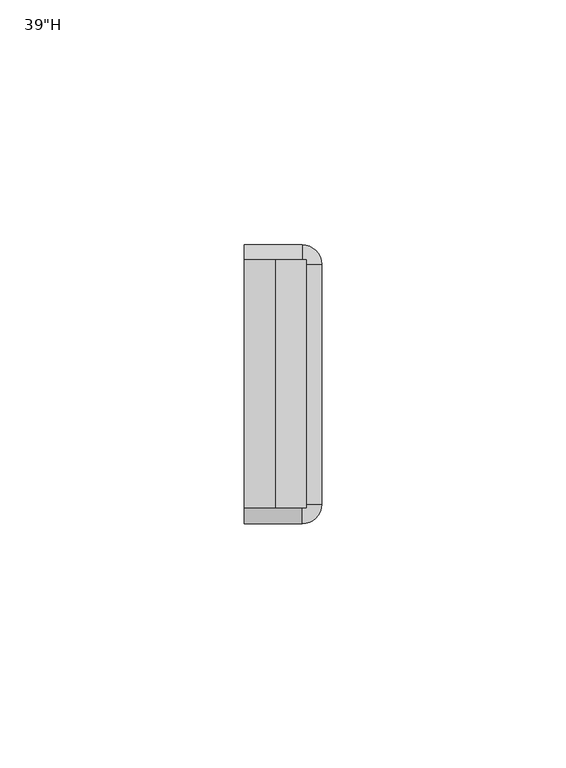
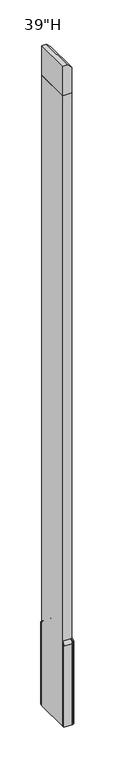
"""IFC4 building model written with IfcOpenShell, lengths in millimetres: furniture geometry."""

from ifc_helpers import new_model, si_unit, point, frame, origin, place, context, project, spatial, polyline, circle_curve, ellipse_curve, trimmed, outline, extrude, source, transform, mapped, element, save
from ifc_brep_helpers import plane_surface, cylinder_surface, revolved_surface, advanced_brep


def furniture_493edbe2(model_context):
    return source(origin(), model_context, "Body", "SolidModel", [
        advanced_brep(
        [(1984.8560512, -2420.1637877, 130.97002), (1984.8560512, -2420.1637877, 9.525), (1984.8560512, -2421.7512877, 9.525), (1984.8560512, -2421.7512877, 130.97002), (1984.8560512, -2423.3387877, 134.5628942), (1984.8560512, -2423.3387877, 136.525), (1996.7623012, -2420.1637877, 130.97002), (1996.7623012, -2420.1637877, 9.525), (2000.7310512, -2424.1325377, 9.525), (2000.7310512, -2473.3356635, 9.525), (1996.752927, -2477.3137877, 9.525), (1984.8560512, -2477.3137877, 9.525), (1984.8560512, -2475.7262877, 9.525), (1996.752927, -2475.7262877, 9.525), (1999.1435512, -2473.3356635, 9.525), (1999.1435512, -2424.1325377, 9.525), (1996.7623012, -2421.7512877, 9.525), (1996.7623012, -2421.7512877, 130.97002), (1996.7623012, -2423.3387877, 134.5628942), (1996.7623012, -2423.3387877, 136.525), (2000.7310512, -2424.1325377, 130.97002), (1999.1435512, -2424.1325377, 130.97002), (1997.5560512, -2424.1325377, 134.5628942), (1997.5560512, -2424.1325377, 136.525), (2000.7310512, -2473.3356635, 130.97002), (1999.1435512, -2473.3356635, 130.97002), (1997.5560512, -2473.3356635, 134.5628942), (1997.5560512, -2473.3356635, 136.525), (1996.752927, -2477.3137877, 130.97002), (1996.752927, -2475.7262877, 130.97002), (1996.752927, -2474.1387877, 134.5628942), (1996.752927, -2474.1387877, 136.525), (1984.8560512, -2477.3137877, 130.97002), (1984.8560512, -2474.1387877, 136.525), (1984.8560512, -2474.1387877, 134.5628942), (1984.8560512, -2475.7262877, 130.97002)],
        [
            (0, 1),
            (1, 2),
            (2, 3),
            (3, 4, circle_curve(frame((1984.8560512, -2426.6107842, 130.97002), z_axis=(1.0, 0.0, 0.0), x_axis=(0.0, 1.0, 0.0)), 4.8594965)),
            (4, 5),
            (5, 0, circle_curve(frame((1984.8560512, -2426.6107842, 130.97002), z_axis=(-1.0, 0.0, 0.0), x_axis=(0.0, 1.0, 0.0)), 6.4469965)),
            (0, 6),
            (6, 7),
            (7, 1),
            (7, 8, circle_curve(frame((1996.7623012, -2424.1325377, 9.525), z_axis=(0.0, 0.0, -1.0), x_axis=(0.0, 1.0, 0.0)), 3.96875)),
            (8, 9),
            (9, 10, circle_curve(frame((1996.752927, -2473.3356635, 9.525), z_axis=(0.0, 0.0, -1.0), x_axis=(1.0, 0.0, 0.0)), 3.9781242)),
            (10, 11),
            (11, 12),
            (12, 13),
            (13, 14, circle_curve(frame((1996.752927, -2473.3356635, 9.525), z_axis=(0.0, 0.0, 1.0), x_axis=(1.0, 0.0, 0.0)), 2.3906242)),
            (14, 15),
            (15, 16, circle_curve(frame((1996.7623012, -2424.1325377, 9.525), z_axis=(0.0, 0.0, 1.0), x_axis=(0.0, 1.0, 0.0)), 2.38125)),
            (16, 2),
            (16, 17),
            (17, 3),
            (17, 18, circle_curve(frame((1996.7623012, -2426.6107842, 130.97002), z_axis=(1.0, 0.0, 0.0), x_axis=(0.0, 1.0, 0.0)), 4.8594965)),
            (18, 4),
            (18, 19),
            (19, 5),
            (19, 6, circle_curve(frame((1996.7623012, -2426.6107842, 130.97002), z_axis=(-1.0, 0.0, 0.0), x_axis=(0.0, 1.0, 0.0)), 6.4469965)),
            (6, 20, circle_curve(frame((1996.7623012, -2424.1325377, 130.97002), z_axis=(0.0, 0.0, -1.0), x_axis=(0.0, 1.0, 0.0)), 3.96875)),
            (20, 8),
            (21, 17, circle_curve(frame((1996.7623012, -2424.1325377, 130.97002), z_axis=(0.0, 0.0, 1.0), x_axis=(0.0, 1.0, 0.0)), 2.38125)),
            (15, 21),
            (22, 18, circle_curve(frame((1996.7623012, -2424.1325377, 134.5628942), z_axis=(0.0, 0.0, 1.0), x_axis=(0.0, 1.0, 0.0)), 0.79375)),
            (21, 22, circle_curve(frame((1994.2840547, -2424.1325377, 130.97002), z_axis=(0.0, -1.0, 0.0), x_axis=(1.0, 0.0, 0.0)), 4.8594965)),
            (23, 19, circle_curve(frame((1996.7623012, -2424.1325377, 136.525), z_axis=(0.0, 0.0, 1.0), x_axis=(0.0, 1.0, 0.0)), 0.79375)),
            (22, 23),
            (23, 20, circle_curve(frame((1994.2840547, -2424.1325377, 130.97002), z_axis=(0.0, 1.0, 0.0), x_axis=(1.0, 0.0, 0.0)), 6.4469965)),
            (20, 24),
            (24, 9),
            (14, 25),
            (25, 21),
            (25, 26, circle_curve(frame((1994.2840547, -2473.3356635, 130.97002), z_axis=(0.0, -1.0, 0.0), x_axis=(1.0, 0.0, 0.0)), 4.8594965)),
            (26, 22),
            (26, 27),
            (27, 23),
            (27, 24, circle_curve(frame((1994.2840547, -2473.3356635, 130.97002), z_axis=(0.0, 1.0, 0.0), x_axis=(1.0, 0.0, 0.0)), 6.4469965)),
            (24, 28, circle_curve(frame((1996.752927, -2473.3356635, 130.97002), z_axis=(0.0, 0.0, -1.0), x_axis=(1.0, 0.0, 0.0)), 3.9781242)),
            (28, 10),
            (29, 25, circle_curve(frame((1996.752927, -2473.3356635, 130.97002), z_axis=(0.0, 0.0, 1.0), x_axis=(1.0, 0.0, 0.0)), 2.3906242)),
            (13, 29),
            (30, 26, circle_curve(frame((1996.752927, -2473.3356635, 134.5628942), z_axis=(0.0, 0.0, 1.0), x_axis=(1.0, 0.0, 0.0)), 0.8031242)),
            (29, 30, circle_curve(frame((1996.752927, -2470.8667912, 130.97002), z_axis=(-1.0, 0.0, 0.0), x_axis=(0.0, -1.0, 0.0)), 4.8594965)),
            (31, 27, circle_curve(frame((1996.752927, -2473.3356635, 136.525), z_axis=(0.0, 0.0, 1.0), x_axis=(1.0, 0.0, 0.0)), 0.8031242)),
            (30, 31),
            (31, 28, circle_curve(frame((1996.752927, -2470.8667912, 130.97002), z_axis=(1.0, 0.0, 0.0), x_axis=(0.0, -1.0, 0.0)), 6.4469965)),
            (32, 33, circle_curve(frame((1984.8560512, -2470.8667912, 130.97002), z_axis=(-1.0, 0.0, 0.0), x_axis=(0.0, -1.0, 0.0)), 6.4469965)),
            (33, 34),
            (34, 35, circle_curve(frame((1984.8560512, -2470.8667912, 130.97002), z_axis=(1.0, 0.0, 0.0), x_axis=(0.0, -1.0, 0.0)), 4.8594965)),
            (35, 12),
            (11, 32),
            (28, 32),
            (35, 29),
            (34, 30),
            (33, 31),
        ],
        [
            plane_surface(frame((1984.8560512, -2423.3387877, 0.0), z_axis=(-1.0, 0.0, 0.0), x_axis=(0.0, 0.0, 1.0))),
            plane_surface(frame((1984.8560512, -2420.1637877, 130.97002), z_axis=(0.0, 1.0, 0.0), x_axis=(1.0, 0.0, 0.0))),
            plane_surface(frame((1984.8560512, -2420.1637877, 9.525), z_axis=(0.0, 0.0, -1.0), x_axis=(1.0, 0.0, 0.0))),
            plane_surface(frame((1984.8560512, -2421.7512877, 9.525), z_axis=(0.0, -1.0, 0.0), x_axis=(1.0, 0.0, 0.0))),
            revolved_surface(polyline([(1996.7623012, -2421.7512877, 130.97002), (1984.8560512, -2421.7512877, 130.97002)]), (1984.8560512, -2426.6107842, 130.97002), (1.0, 0.0, 0.0)),
            plane_surface(frame((1984.8560512, -2423.3387877, 134.5628942), z_axis=(0.0, -1.0, 0.0), x_axis=(1.0, 0.0, 0.0))),
            cylinder_surface(frame((1984.8560512, -2426.6107842, 130.97002), z_axis=(-1.0, 0.0, 0.0), x_axis=(0.0, 1.0, 0.0)), 6.4469965),
            cylinder_surface(frame((1996.7623012, -2424.1325377, 0.0), z_axis=(0.0, 0.0, -1.0), x_axis=(0.0, 1.0, 0.0)), 3.96875),
            revolved_surface(polyline([(1996.7623012, -2421.7512877, 9.525), (1996.7623012, -2421.7512877, 130.97002)]), (1996.7623012, -2424.1325377, 0.0), (0.0, 0.0, -1.0)),
            revolved_surface(trimmed(ellipse_curve(frame((1996.7623012, -2426.6107842, 130.97002), z_axis=(1.0, 0.0, 0.0), x_axis=(0.0, 1.0, 0.0)), 4.8594965, 4.8594965), [point((1996.7623012, -2421.7512877, 130.97002))], [point((1996.7623012, -2423.3387877, 134.5628942))], True, "CARTESIAN"), (1996.7623012, -2424.1325377, 0.0), (0.0, 0.0, -1.0)),
            revolved_surface(polyline([(1996.7623012, -2423.3387877, 134.5628942), (1996.7623012, -2423.3387877, 136.525)]), (1996.7623012, -2424.1325377, 0.0), (0.0, 0.0, -1.0)),
            revolved_surface(trimmed(ellipse_curve(frame((1996.7623012, -2426.6107842, 130.97002), z_axis=(-1.0, 0.0, 0.0), x_axis=(0.0, 1.0, 0.0)), 6.4469965, 6.4469965), [point((1996.7623012, -2423.3387877, 136.525))], [point((1996.7623012, -2420.1637877, 130.97002))], True, "CARTESIAN"), (1996.7623012, -2424.1325377, 0.0), (0.0, 0.0, -1.0)),
            plane_surface(frame((2000.7310512, -2424.1325377, 130.97002), z_axis=(1.0, 0.0, 0.0), x_axis=(0.0, -1.0, 0.0))),
            plane_surface(frame((1999.1435512, -2424.1325377, 9.525), z_axis=(-1.0, 0.0, 0.0), x_axis=(0.0, -1.0, 0.0))),
            revolved_surface(polyline([(1999.1435512, -2473.3356635, 130.97002), (1999.1435512, -2424.1325377, 130.97002)]), (1994.2840547, -2424.1325377, 130.97002), (0.0, -1.0, 0.0)),
            plane_surface(frame((1997.5560512, -2424.1325377, 134.5628942), z_axis=(-1.0, 0.0, 0.0), x_axis=(0.0, -1.0, 0.0))),
            cylinder_surface(frame((1994.2840547, -2424.1325377, 130.97002), z_axis=(0.0, 1.0, 0.0), x_axis=(1.0, 0.0, 0.0)), 6.4469965),
            cylinder_surface(frame((1996.752927, -2473.3356635, 0.0), z_axis=(0.0, 0.0, -1.0), x_axis=(1.0, 0.0, 0.0)), 3.9781242),
            revolved_surface(polyline([(1999.1435512, -2473.3356635, 9.525), (1999.1435512, -2473.3356635, 130.97002)]), (1996.752927, -2473.3356635, 0.0), (0.0, 0.0, -1.0)),
            revolved_surface(trimmed(ellipse_curve(frame((1994.2840547, -2473.3356635, 130.97002), z_axis=(0.0, -1.0, 0.0), x_axis=(1.0, 0.0, 0.0)), 4.8594965, 4.8594965), [point((1999.1435512, -2473.3356635, 130.97002))], [point((1997.5560512, -2473.3356635, 134.5628942))], True, "CARTESIAN"), (1996.752927, -2473.3356635, 0.0), (0.0, 0.0, -1.0)),
            revolved_surface(polyline([(1997.5560512, -2473.3356635, 134.5628942), (1997.5560512, -2473.3356635, 136.525)]), (1996.752927, -2473.3356635, 0.0), (0.0, 0.0, -1.0)),
            revolved_surface(trimmed(ellipse_curve(frame((1994.2840547, -2473.3356635, 130.97002), z_axis=(0.0, 1.0, 0.0), x_axis=(1.0, 0.0, 0.0)), 6.4469965, 6.4469965), [point((1997.5560512, -2473.3356635, 136.525))], [point((2000.7310512, -2473.3356635, 130.97002))], True, "CARTESIAN"), (1996.752927, -2473.3356635, 0.0), (0.0, 0.0, -1.0)),
            plane_surface(frame((1984.8560512, -2474.1387877, 0.0), z_axis=(-1.0, 0.0, 0.0), x_axis=(0.0, 0.0, 1.0))),
            plane_surface(frame((1996.752927, -2477.3137877, 130.97002), z_axis=(0.0, -1.0, 0.0), x_axis=(-1.0, 0.0, 0.0))),
            plane_surface(frame((1996.752927, -2475.7262877, 9.525), z_axis=(0.0, 1.0, 0.0), x_axis=(-1.0, 0.0, 0.0))),
            revolved_surface(polyline([(1984.8560512, -2475.7262877000003, 130.97002), (1996.752927, -2475.7262877000003, 130.97002)]), (1996.752927, -2470.8667912, 130.97002), (-1.0, 0.0, 0.0)),
            plane_surface(frame((1996.752927, -2474.1387877, 134.5628942), z_axis=(0.0, 1.0, 0.0), x_axis=(-1.0, 0.0, 0.0))),
            cylinder_surface(frame((1996.752927, -2470.8667912, 130.97002), z_axis=(1.0, 0.0, 0.0), x_axis=(0.0, -1.0, 0.0)), 6.4469965),
        ],
        [
            (0, [[1, 2, 3, 4, 5, 6]]),
            (1, [[-1, 7, 8, 9]]),
            (2, [[-2, -9, 10, 11, 12, 13, 14, 15, 16, 17, 18, 19]]),
            (3, [[-3, -19, 20, 21]]),
            (4, [[-4, -21, 22, 23]]),
            (5, [[-5, -23, 24, 25]]),
            (6, [[-6, -25, 26, -7]]),
            (7, [[-10, -8, 27, 28]]),
            (8, [[29, -20, -18, 30]]),
            (9, [[31, -22, -29, 32]]),
            (10, [[33, -24, -31, 34]]),
            (11, [[-27, -26, -33, 35]]),
            (12, [[-28, 36, 37, -11]]),
            (13, [[-30, -17, 38, 39]]),
            (14, [[-32, -39, 40, 41]]),
            (15, [[-34, -41, 42, 43]]),
            (16, [[-35, -43, 44, -36]]),
            (17, [[-12, -37, 45, 46]]),
            (18, [[47, -38, -16, 48]]),
            (19, [[49, -40, -47, 50]]),
            (20, [[51, -42, -49, 52]]),
            (21, [[-45, -44, -51, 53]]),
            (22, [[54, 55, 56, 57, -14, 58]]),
            (23, [[-46, 59, -58, -13]]),
            (24, [[-48, -15, -57, 60]]),
            (25, [[-50, -60, -56, 61]]),
            (26, [[-52, -61, -55, 62]]),
            (27, [[-53, -62, -54, -59]]),
        ],
    ),
        extrude(outline(polyline([(955.675, 1984.8560512), (955.675, 1997.5560512), (993.775, 1997.5560512), (1000.125, 1991.2060512), (1000.125, 1984.8560512), (955.675, 1984.8560512)])), frame((0.0, -2474.1387877, 0.0), z_axis=(0.0, 1.0, 0.0), x_axis=(0.0, 0.0, 1.0)), (0.0, 0.0, 1.0), 50.8),
        extrude(outline(polyline([(1984.8560512, -2474.1387877), (1984.8560512, -2423.3387877), (1997.5560512, -2423.3387877), (1997.5560512, -2474.1387877), (1984.8560512, -2474.1387877)])), frame((0.0, 0.0, 9.525), z_axis=(0.0, 0.0, 1.0), x_axis=(1.0, 0.0, 0.0)), (0.0, 0.0, 1.0), 946.15),
    ])


if __name__ == "__main__":
    model = new_model("IFC4")
    model_context = context("Model", 3, world=origin())
    ifc_project = project(units=[si_unit("LENGTHUNIT", "METRE", prefix="MILLI")], contexts=[model_context])
    site = spatial("IfcSite", under=ifc_project)
    building = spatial("IfcBuilding", under=site)
    placement = place(None, origin())
    furniture_shape = furniture_493edbe2(model_context)
    element("IfcFurniture", 1, ObjectType="39\"H", at=placement, inside=building, context=model_context, shape_type="MappedRepresentation", body=[
        mapped(furniture_shape, transform((0.0, 0.0, 0.0), x_axis=(1.0, 0.0, 0.0), y_axis=(0.0, 1.0, 0.0), z_axis=(0.0, 0.0, 1.0))),
    ])
    save(model, "model.ifc")
